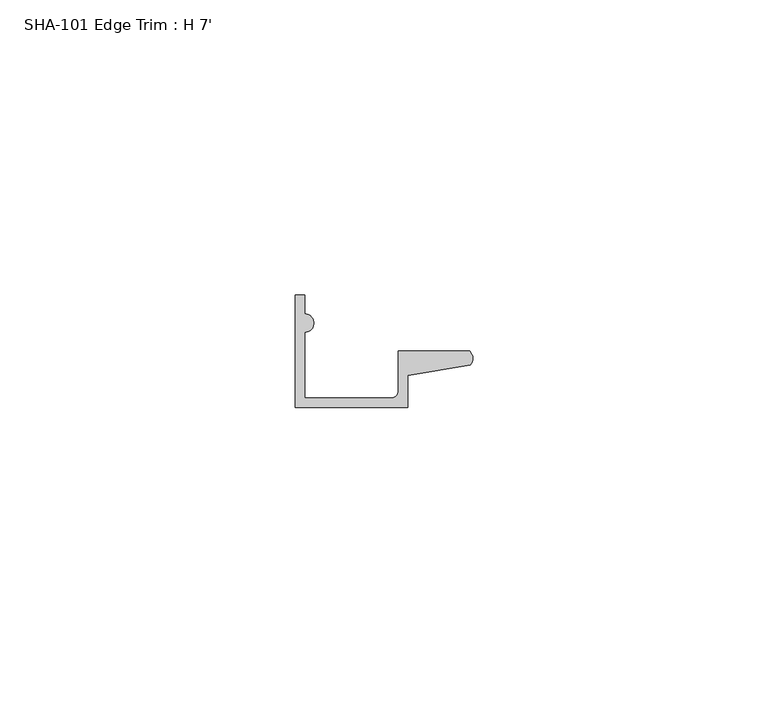
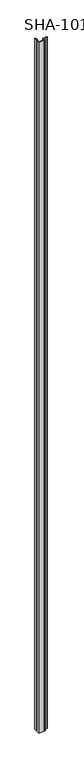
"""IFC4 building model written with IfcOpenShell, lengths in millimetres: proxy geometry, SHA-101 Edge Trim : H 7'."""

import ifcopenshell
import ifcopenshell.guid

model = None  # the IFC model being written
_history = None  # IfcOwnerHistory: only IFC2X3 demands one
_inside = {}  # id of a spatial element -> (the spatial element, [elements in it])
_under = {}  # id of a project, library or spatial element -> (it, [spatial elements below it])
_declared = {}  # id of a project -> (the project, [libraries it declares])
_typed = {}  # id of a type object -> (the type object, [elements of that type])
_made_of = {}  # id of a material, layer set ... -> (it, [elements and type objects made of it])


def new_model(schema):
    """Start an empty IFC model of exactly this schema.

    Asked for "IFC4X3", IfcOpenShell would pick the latest addendum, in which some entities
    have other attributes; the version numbers below select the first issue.
    IFC2X3 requires an IfcOwnerHistory on every rooted entity: one is made here for all.
    """
    global model, _history
    if schema == "IFC4X3":
        model = ifcopenshell.file(schema_version=(4, 3, 0, 0))
    else:
        model = ifcopenshell.file(schema=schema)
    _inside.clear()
    _under.clear()
    _declared.clear()
    _typed.clear()
    _made_of.clear()
    _history = None
    if model.schema == "IFC2X3":
        org = make("IfcOrganization", Name="unknown")
        user = make(
            "IfcPersonAndOrganization",
            ThePerson=make("IfcPerson", FamilyName="unknown"),
            TheOrganization=org,
        )
        app = make(
            "IfcApplication",
            ApplicationDeveloper=org,
            Version="unknown",
            ApplicationFullName="unknown",
            ApplicationIdentifier="unknown",
        )
        _history = make(
            "IfcOwnerHistory",
            OwningUser=user,
            OwningApplication=app,
            ChangeAction="ADDED",
            CreationDate=0,
        )
    return model


def make(cls, **values):
    """One entity of the class cls with the attributes given. An attribute that is None is left unset."""
    return model.create_entity(
        cls, **{name: value for name, value in values.items() if value is not None}
    )


def rooted(cls, **values):
    """An entity with a GlobalId (a new one), such as an element, a storey or a relation."""
    return make(cls, GlobalId=ifcopenshell.guid.new(), OwnerHistory=_history, **values)


def si_unit(unit_type, name, prefix=None):
    """IfcSIUnit, for example si_unit("LENGTHUNIT", "METRE", prefix="MILLI")."""
    return make("IfcSIUnit", UnitType=unit_type, Prefix=prefix, Name=name)


def assignment(units):
    """IfcUnitAssignment: the units of a project."""
    return None if units is None else make("IfcUnitAssignment", Units=units)


def point(xyz):
    """IfcCartesianPoint."""
    return None if xyz is None else make("IfcCartesianPoint", Coordinates=xyz)


def direction(xyz):
    """IfcDirection."""
    return None if xyz is None else make("IfcDirection", DirectionRatios=xyz)


def frame(location, z_axis=None, x_axis=None):
    """IfcAxis2Placement3D, a coordinate frame: its origin and axes. An axis left out is left unset."""
    return make(
        "IfcAxis2Placement3D",
        Location=point(location),
        Axis=direction(z_axis),
        RefDirection=direction(x_axis),
    )


def frame_2d(location, x_axis=None):
    """IfcAxis2Placement2D, a coordinate frame in the plane: its origin and x axis."""
    return make(
        "IfcAxis2Placement2D", Location=point(location), RefDirection=direction(x_axis)
    )


def origin():
    """The frame at (0, 0, 0) with its axes left unset."""
    return frame((0.0, 0.0, 0.0))


def origin_with_axes():
    """The frame at (0, 0, 0) with the z axis (0, 0, 1) and the x axis (1, 0, 0) written out."""
    return frame((0.0, 0.0, 0.0), z_axis=(0.0, 0.0, 1.0), x_axis=(1.0, 0.0, 0.0))


def place(relative_to, where):
    """IfcLocalPlacement: puts the frame where relative to a parent placement (None: the world)."""
    return make(
        "IfcLocalPlacement", PlacementRelTo=relative_to, RelativePlacement=where
    )


def context(
    kind, dimensions, precision=None, world=None, true_north=None, identifier=None
):
    """IfcGeometricRepresentationContext, for example the 3D "Model" context."""
    return make(
        "IfcGeometricRepresentationContext",
        ContextIdentifier=identifier,
        ContextType=kind,
        CoordinateSpaceDimension=dimensions,
        Precision=precision,
        WorldCoordinateSystem=world,
        TrueNorth=true_north,
    )


def project(units=None, contexts=None):
    """IfcProject with its units and contexts."""
    return rooted(
        "IfcProject",
        Name="project",
        RepresentationContexts=contexts,
        UnitsInContext=assignment(units),
    )


def spatial(cls, under=None, at=None, **own):
    """A site, building, storey or space (cls), placed at a placement, below another one or the project."""
    s = rooted(cls, ObjectPlacement=at, **own)
    if under is not None:
        _under.setdefault(under.id(), (under, []))[1].append(s)
    return s


def polyline(points):
    """IfcPolyline through the points."""
    return make("IfcPolyline", Points=[point(p) for p in points])


def circle_curve(where, radius):
    """IfcCircle in the frame where."""
    return make("IfcCircle", Position=where, Radius=radius)


def trimmed(basis, trim1, trim2, sense, master):
    """IfcTrimmedCurve: the piece of a basis curve between two trims."""
    return make(
        "IfcTrimmedCurve",
        BasisCurve=basis,
        Trim1=trim1,
        Trim2=trim2,
        SenseAgreement=sense,
        MasterRepresentation=master,
    )


def segment(curve, same_sense, transition):
    """IfcCompositeCurveSegment."""
    return make(
        "IfcCompositeCurveSegment",
        Transition=transition,
        SameSense=same_sense,
        ParentCurve=curve,
    )


def composite_curve(segments, self_intersect=None):
    """IfcCompositeCurve: segments joined end to end."""
    return make("IfcCompositeCurve", Segments=segments, SelfIntersect=self_intersect)


def outline(outer, holes=None, kind="AREA"):
    """IfcArbitraryClosedProfileDef: a profile drawn as a closed curve; with holes, ...WithVoids."""
    if holes is None:
        return make("IfcArbitraryClosedProfileDef", ProfileType=kind, OuterCurve=outer)
    return make(
        "IfcArbitraryProfileDefWithVoids",
        ProfileType=kind,
        OuterCurve=outer,
        InnerCurves=holes,
    )


def extrude(swept, where, along, depth):
    """IfcExtrudedAreaSolid: the profile swept, set in the frame where, extruded along a direction by depth."""
    return make(
        "IfcExtrudedAreaSolid",
        SweptArea=swept,
        Position=where,
        ExtrudedDirection=direction(along),
        Depth=depth,
    )


def shape(context_of_items, identifier, shape_type, items):
    """IfcShapeRepresentation: the items that make up one representation, for example the "Body"."""
    return make(
        "IfcShapeRepresentation",
        ContextOfItems=context_of_items,
        RepresentationIdentifier=identifier,
        RepresentationType=shape_type,
        Items=items,
    )


def source(mapping_origin, context_of_items, identifier, shape_type, items):
    """IfcRepresentationMap: a shape defined once, which mapped items show again and again."""
    return make(
        "IfcRepresentationMap",
        MappingOrigin=mapping_origin,
        MappedRepresentation=shape(context_of_items, identifier, shape_type, items),
    )


def transform(
    local_origin,
    x_axis=None,
    y_axis=None,
    z_axis=None,
    scale=None,
    scale2=None,
    scale3=None,
    uniform=True,
):
    """IfcCartesianTransformationOperator3D, or its non-uniform kind. x_axis, y_axis, z_axis: its Axis1, 2, 3."""
    if uniform:
        return make(
            "IfcCartesianTransformationOperator3D",
            Axis1=direction(x_axis),
            Axis2=direction(y_axis),
            LocalOrigin=point(local_origin),
            Scale=scale,
            Axis3=direction(z_axis),
        )
    return make(
        "IfcCartesianTransformationOperator3DnonUniform",
        Axis1=direction(x_axis),
        Axis2=direction(y_axis),
        LocalOrigin=point(local_origin),
        Scale=scale,
        Axis3=direction(z_axis),
        Scale2=scale2,
        Scale3=scale3,
    )


def mapped(mapping_source, mapping_target):
    """IfcMappedItem: shows the shape of a source again, moved by a transform."""
    return make(
        "IfcMappedItem", MappingSource=mapping_source, MappingTarget=mapping_target
    )


def made_of(thing, what):
    """Note that an element or type object is made of a material, layer set ...; save() writes the relation."""
    if what is not None:
        _made_of.setdefault(what.id(), (what, []))[1].append(thing)
    return thing


def element(
    cls,
    number,
    at=None,
    inside=None,
    cuts=None,
    type_object=None,
    material=None,
    context=None,
    identifier="Body",
    shape_type=None,
    held_by="IfcProductDefinitionShape",
    body=None,
    shapes=None,
    **own,
):
    """One element of the class cls, such as IfcWall. Its Tag is "e" and its number.

    at: its placement. inside: the storey or other place that contains it. cuts: it is an
    opening in that element (IfcRelVoidsElement). A single representation is given by context,
    identifier, shape_type and body (its items); several are given by shapes. held_by: the class
    of the entity that holds the representations. save() writes the other relations.
    """
    e = rooted(cls, Tag="e%d" % number, ObjectPlacement=at, **own)
    if body is not None:
        shapes = [shape(context, identifier, shape_type, body)]
    if shapes is not None:
        e.Representation = make(held_by, Representations=shapes)
    if inside is not None:
        _inside.setdefault(inside.id(), (inside, []))[1].append(e)
    if cuts is not None:
        rooted(
            "IfcRelVoidsElement", RelatingBuildingElement=cuts, RelatedOpeningElement=e
        )
    if type_object is not None:
        _typed.setdefault(type_object.id(), (type_object, []))[1].append(e)
    return made_of(e, material)


def aggregate(whole, parts):
    """IfcRelAggregates: a whole, such as a stair, and the parts it consists of."""
    return rooted("IfcRelAggregates", RelatingObject=whole, RelatedObjects=parts)


def save(model, path):
    """Write the relations noted so far, then the file.

    IfcRelAggregates (storeys below a building ...), IfcRelContainedInSpatialStructure (elements
    in a storey), IfcRelDefinesByType, IfcRelAssociatesMaterial and IfcRelDeclares: one each for
    every whole, place, type object, material and project.
    """
    for whole, parts in _under.values():
        aggregate(whole, parts)
    for where, things in _inside.values():
        rooted(
            "IfcRelContainedInSpatialStructure",
            RelatedElements=things,
            RelatingStructure=where,
        )
    for kind, things in _typed.values():
        rooted("IfcRelDefinesByType", RelatedObjects=things, RelatingType=kind)
    for what, things in _made_of.values():
        rooted("IfcRelAssociatesMaterial", RelatedObjects=things, RelatingMaterial=what)
    for by, libraries in _declared.values():
        rooted("IfcRelDeclares", RelatingContext=by, RelatedDefinitions=libraries)
    model.write(path)


def sha_101_edge_trim_h_7_7ca10a50(model_context):
    return source(origin(), model_context, "Body", "SweptSolid", [
        extrude(outline(composite_curve([segment(polyline([(1.5748, 12.7127), (1.5748, 1.5748), (16.1798, 1.5748)]), True, "CONTINUOUS"), segment(trimmed(circle_curve(frame_2d((16.1798, 2.8448)), 1.27), [point((16.1798, 1.5748))], [point((17.4498, 2.8448))], True, "CARTESIAN"), True, "CONTINUOUS"), segment(polyline([(17.4498, 2.8448), (17.4498, 9.525), (29.5346031, 9.525)]), True, "CONTINUOUS"), segment(trimmed(circle_curve(frame_2d((28.4438454, 8.3323235)), 1.6162393), [point((29.5346031, 9.525))], [point((29.6006869, 7.2036308))], False, "CARTESIAN"), True, "CONTINUOUS"), segment(polyline([(29.6006869, 7.2036308), (19.0246, 5.392657), (19.0246, 0.0), (0.0, 0.0), (0.0, 19.05), (1.5748, 19.05), (1.5748, 15.8623)]), True, "CONTINUOUS"), segment(trimmed(circle_curve(frame_2d((1.5748, 14.2875)), 1.5748), [point((1.5748, 15.8623))], [point((1.5748, 12.7127))], False, "CARTESIAN"), True, "CONTINUOUS")], self_intersect=False)), origin_with_axes(), (0.0, 0.0, 1.0), 2133.6),
    ])


if __name__ == "__main__":
    model = new_model("IFC4")
    model_context = context("Model", 3, world=origin())
    ifc_project = project(units=[si_unit("LENGTHUNIT", "METRE", prefix="MILLI")], contexts=[model_context])
    site = spatial("IfcSite", under=ifc_project)
    building = spatial("IfcBuilding", under=site)
    placement = place(None, origin())
    sha_101_edge_trim_h_7_shape = sha_101_edge_trim_h_7_7ca10a50(model_context)
    element("IfcBuildingElementProxy", 1, Name="SHA-101 Edge Trim : H 7'", ObjectType="SHA-101 Edge Trim : H 7'", at=placement, inside=building, context=model_context, shape_type="MappedRepresentation", body=[
        mapped(sha_101_edge_trim_h_7_shape, transform((0.0, 0.0, 0.0), x_axis=(1.0, 0.0, 0.0), y_axis=(0.0, 1.0, 0.0), z_axis=(0.0, 0.0, 1.0))),
    ])
    save(model, "model.ifc")
